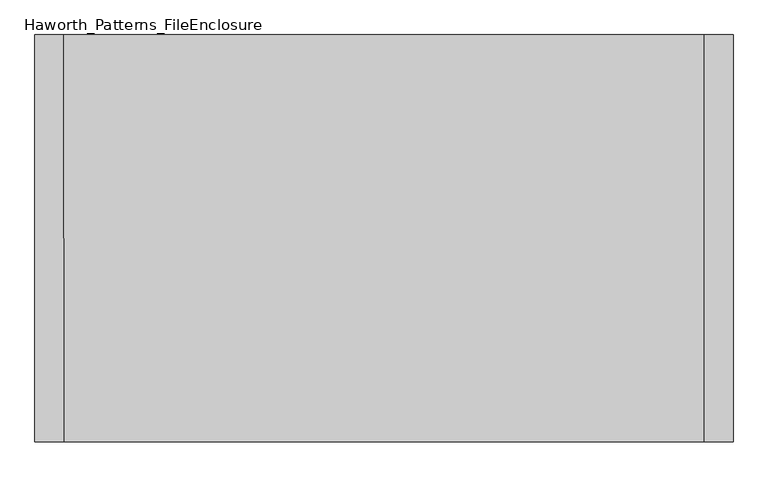
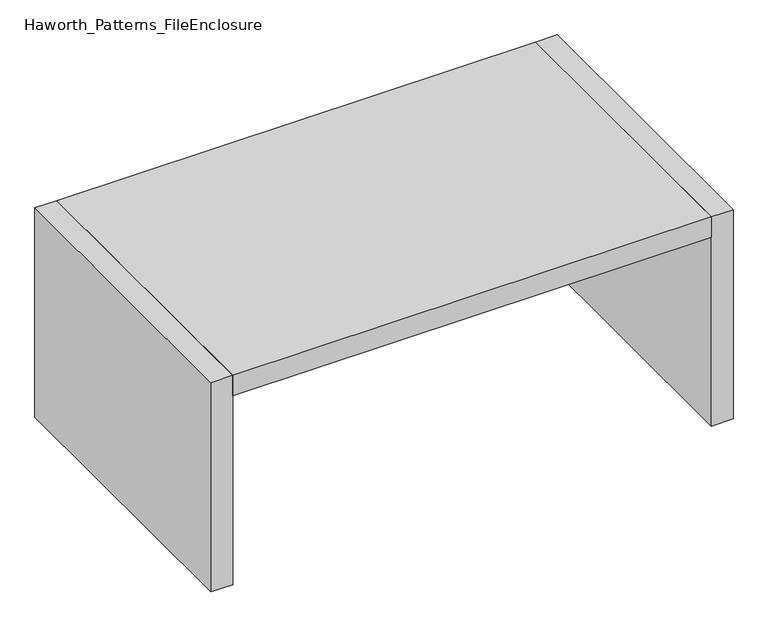
"""IFC4 building model written with IfcOpenShell, lengths in millimetres: furniture geometry, Haworth_Patterns_FileEnclosure."""

from ifc_helpers import new_model, si_unit, frame, origin, origin_with_axes, place, context, project, spatial, polyline, outline, extrude, source, transform, mapped, element, save


def haworth_patterns_fileenclosure_77bf20bf(model_context):
    return source(origin(), model_context, "Body", "SweptSolid", [
        extrude(outline(polyline([(838.2, 0.0), (838.2, -1066.8), (-838.2, -1066.8), (-838.2, 0.0), (838.2, 0.0)])), frame((0.0, 0.0, 698.5), z_axis=(0.0, 0.0, 1.0), x_axis=(1.0, 0.0, 0.0)), (0.0, 0.0, 1.0), 76.2),
        extrude(outline(polyline([(838.2, 0.0), (914.4, 0.0), (914.4, -1066.8), (838.2, -1066.8), (838.2, 0.0)])), origin_with_axes(), (0.0, 0.0, 1.0), 774.7),
        extrude(outline(polyline([(-838.2, 0.0), (-838.2, -1066.8), (-914.4, -1066.8), (-914.4, 0.0), (-838.2, 0.0)])), origin_with_axes(), (0.0, 0.0, 1.0), 774.7),
    ])


if __name__ == "__main__":
    model = new_model("IFC4")
    model_context = context("Model", 3, world=origin())
    ifc_project = project(units=[si_unit("LENGTHUNIT", "METRE", prefix="MILLI")], contexts=[model_context])
    site = spatial("IfcSite", under=ifc_project)
    building = spatial("IfcBuilding", under=site)
    placement = place(None, origin())
    haworth_patterns_fileenclosure_shape = haworth_patterns_fileenclosure_77bf20bf(model_context)
    element("IfcFurniture", 1, ObjectType="Haworth_Patterns_FileEnclosure", at=placement, inside=building, context=model_context, shape_type="MappedRepresentation", body=[
        mapped(haworth_patterns_fileenclosure_shape, transform((0.0, 0.0, 0.0), x_axis=(1.0, 0.0, 0.0), y_axis=(0.0, 1.0, 0.0), z_axis=(0.0, 0.0, 1.0))),
    ])
    save(model, "model.ifc")
